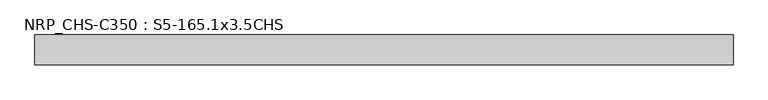
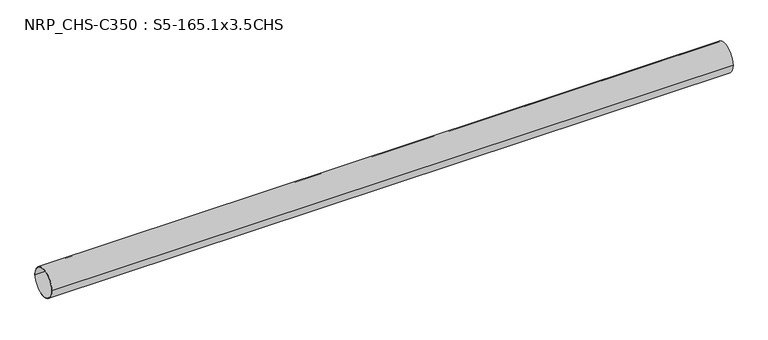
"""IFC4 building model written with IfcOpenShell, lengths in millimetres: beam geometry, NRP_CHS-C350 : S5-165.1x3.5CHS."""

import ifcopenshell
import ifcopenshell.guid

model = None  # the IFC model being written
_history = None  # IfcOwnerHistory: only IFC2X3 demands one
_inside = {}  # id of a spatial element -> (the spatial element, [elements in it])
_under = {}  # id of a project, library or spatial element -> (it, [spatial elements below it])
_declared = {}  # id of a project -> (the project, [libraries it declares])
_typed = {}  # id of a type object -> (the type object, [elements of that type])
_made_of = {}  # id of a material, layer set ... -> (it, [elements and type objects made of it])


def new_model(schema):
    """Start an empty IFC model of exactly this schema.

    Asked for "IFC4X3", IfcOpenShell would pick the latest addendum, in which some entities
    have other attributes; the version numbers below select the first issue.
    IFC2X3 requires an IfcOwnerHistory on every rooted entity: one is made here for all.
    """
    global model, _history
    if schema == "IFC4X3":
        model = ifcopenshell.file(schema_version=(4, 3, 0, 0))
    else:
        model = ifcopenshell.file(schema=schema)
    _inside.clear()
    _under.clear()
    _declared.clear()
    _typed.clear()
    _made_of.clear()
    _history = None
    if model.schema == "IFC2X3":
        org = make("IfcOrganization", Name="unknown")
        user = make(
            "IfcPersonAndOrganization",
            ThePerson=make("IfcPerson", FamilyName="unknown"),
            TheOrganization=org,
        )
        app = make(
            "IfcApplication",
            ApplicationDeveloper=org,
            Version="unknown",
            ApplicationFullName="unknown",
            ApplicationIdentifier="unknown",
        )
        _history = make(
            "IfcOwnerHistory",
            OwningUser=user,
            OwningApplication=app,
            ChangeAction="ADDED",
            CreationDate=0,
        )
    return model


def make(cls, **values):
    """One entity of the class cls with the attributes given. An attribute that is None is left unset."""
    return model.create_entity(
        cls, **{name: value for name, value in values.items() if value is not None}
    )


def rooted(cls, **values):
    """An entity with a GlobalId (a new one), such as an element, a storey or a relation."""
    return make(cls, GlobalId=ifcopenshell.guid.new(), OwnerHistory=_history, **values)


def si_unit(unit_type, name, prefix=None):
    """IfcSIUnit, for example si_unit("LENGTHUNIT", "METRE", prefix="MILLI")."""
    return make("IfcSIUnit", UnitType=unit_type, Prefix=prefix, Name=name)


def assignment(units):
    """IfcUnitAssignment: the units of a project."""
    return None if units is None else make("IfcUnitAssignment", Units=units)


def point(xyz):
    """IfcCartesianPoint."""
    return None if xyz is None else make("IfcCartesianPoint", Coordinates=xyz)


def direction(xyz):
    """IfcDirection."""
    return None if xyz is None else make("IfcDirection", DirectionRatios=xyz)


def frame(location, z_axis=None, x_axis=None):
    """IfcAxis2Placement3D, a coordinate frame: its origin and axes. An axis left out is left unset."""
    return make(
        "IfcAxis2Placement3D",
        Location=point(location),
        Axis=direction(z_axis),
        RefDirection=direction(x_axis),
    )


def frame_2d(location, x_axis=None):
    """IfcAxis2Placement2D, a coordinate frame in the plane: its origin and x axis."""
    return make(
        "IfcAxis2Placement2D", Location=point(location), RefDirection=direction(x_axis)
    )


def origin():
    """The frame at (0, 0, 0) with its axes left unset."""
    return frame((0.0, 0.0, 0.0))


def origin_2d():
    """The frame at (0, 0) in the plane with its x axis left unset."""
    return frame_2d((0.0, 0.0))


def place(relative_to, where):
    """IfcLocalPlacement: puts the frame where relative to a parent placement (None: the world)."""
    return make(
        "IfcLocalPlacement", PlacementRelTo=relative_to, RelativePlacement=where
    )


def context(
    kind, dimensions, precision=None, world=None, true_north=None, identifier=None
):
    """IfcGeometricRepresentationContext, for example the 3D "Model" context."""
    return make(
        "IfcGeometricRepresentationContext",
        ContextIdentifier=identifier,
        ContextType=kind,
        CoordinateSpaceDimension=dimensions,
        Precision=precision,
        WorldCoordinateSystem=world,
        TrueNorth=true_north,
    )


def project(units=None, contexts=None):
    """IfcProject with its units and contexts."""
    return rooted(
        "IfcProject",
        Name="project",
        RepresentationContexts=contexts,
        UnitsInContext=assignment(units),
    )


def spatial(cls, under=None, at=None, **own):
    """A site, building, storey or space (cls), placed at a placement, below another one or the project."""
    s = rooted(cls, ObjectPlacement=at, **own)
    if under is not None:
        _under.setdefault(under.id(), (under, []))[1].append(s)
    return s


def circle_curve(where, radius):
    """IfcCircle in the frame where."""
    return make("IfcCircle", Position=where, Radius=radius)


def trimmed(basis, trim1, trim2, sense, master):
    """IfcTrimmedCurve: the piece of a basis curve between two trims."""
    return make(
        "IfcTrimmedCurve",
        BasisCurve=basis,
        Trim1=trim1,
        Trim2=trim2,
        SenseAgreement=sense,
        MasterRepresentation=master,
    )


def segment(curve, same_sense, transition):
    """IfcCompositeCurveSegment."""
    return make(
        "IfcCompositeCurveSegment",
        Transition=transition,
        SameSense=same_sense,
        ParentCurve=curve,
    )


def composite_curve(segments, self_intersect=None):
    """IfcCompositeCurve: segments joined end to end."""
    return make("IfcCompositeCurve", Segments=segments, SelfIntersect=self_intersect)


def outline(outer, holes=None, kind="AREA"):
    """IfcArbitraryClosedProfileDef: a profile drawn as a closed curve; with holes, ...WithVoids."""
    if holes is None:
        return make("IfcArbitraryClosedProfileDef", ProfileType=kind, OuterCurve=outer)
    return make(
        "IfcArbitraryProfileDefWithVoids",
        ProfileType=kind,
        OuterCurve=outer,
        InnerCurves=holes,
    )


def extrude(swept, where, along, depth):
    """IfcExtrudedAreaSolid: the profile swept, set in the frame where, extruded along a direction by depth."""
    return make(
        "IfcExtrudedAreaSolid",
        SweptArea=swept,
        Position=where,
        ExtrudedDirection=direction(along),
        Depth=depth,
    )


def shape(context_of_items, identifier, shape_type, items):
    """IfcShapeRepresentation: the items that make up one representation, for example the "Body"."""
    return make(
        "IfcShapeRepresentation",
        ContextOfItems=context_of_items,
        RepresentationIdentifier=identifier,
        RepresentationType=shape_type,
        Items=items,
    )


def source(mapping_origin, context_of_items, identifier, shape_type, items):
    """IfcRepresentationMap: a shape defined once, which mapped items show again and again."""
    return make(
        "IfcRepresentationMap",
        MappingOrigin=mapping_origin,
        MappedRepresentation=shape(context_of_items, identifier, shape_type, items),
    )


def transform(
    local_origin,
    x_axis=None,
    y_axis=None,
    z_axis=None,
    scale=None,
    scale2=None,
    scale3=None,
    uniform=True,
):
    """IfcCartesianTransformationOperator3D, or its non-uniform kind. x_axis, y_axis, z_axis: its Axis1, 2, 3."""
    if uniform:
        return make(
            "IfcCartesianTransformationOperator3D",
            Axis1=direction(x_axis),
            Axis2=direction(y_axis),
            LocalOrigin=point(local_origin),
            Scale=scale,
            Axis3=direction(z_axis),
        )
    return make(
        "IfcCartesianTransformationOperator3DnonUniform",
        Axis1=direction(x_axis),
        Axis2=direction(y_axis),
        LocalOrigin=point(local_origin),
        Scale=scale,
        Axis3=direction(z_axis),
        Scale2=scale2,
        Scale3=scale3,
    )


def mapped(mapping_source, mapping_target):
    """IfcMappedItem: shows the shape of a source again, moved by a transform."""
    return make(
        "IfcMappedItem", MappingSource=mapping_source, MappingTarget=mapping_target
    )


def made_of(thing, what):
    """Note that an element or type object is made of a material, layer set ...; save() writes the relation."""
    if what is not None:
        _made_of.setdefault(what.id(), (what, []))[1].append(thing)
    return thing


def element(
    cls,
    number,
    at=None,
    inside=None,
    cuts=None,
    type_object=None,
    material=None,
    context=None,
    identifier="Body",
    shape_type=None,
    held_by="IfcProductDefinitionShape",
    body=None,
    shapes=None,
    **own,
):
    """One element of the class cls, such as IfcWall. Its Tag is "e" and its number.

    at: its placement. inside: the storey or other place that contains it. cuts: it is an
    opening in that element (IfcRelVoidsElement). A single representation is given by context,
    identifier, shape_type and body (its items); several are given by shapes. held_by: the class
    of the entity that holds the representations. save() writes the other relations.
    """
    e = rooted(cls, Tag="e%d" % number, ObjectPlacement=at, **own)
    if body is not None:
        shapes = [shape(context, identifier, shape_type, body)]
    if shapes is not None:
        e.Representation = make(held_by, Representations=shapes)
    if inside is not None:
        _inside.setdefault(inside.id(), (inside, []))[1].append(e)
    if cuts is not None:
        rooted(
            "IfcRelVoidsElement", RelatingBuildingElement=cuts, RelatedOpeningElement=e
        )
    if type_object is not None:
        _typed.setdefault(type_object.id(), (type_object, []))[1].append(e)
    return made_of(e, material)


def aggregate(whole, parts):
    """IfcRelAggregates: a whole, such as a stair, and the parts it consists of."""
    return rooted("IfcRelAggregates", RelatingObject=whole, RelatedObjects=parts)


def save(model, path):
    """Write the relations noted so far, then the file.

    IfcRelAggregates (storeys below a building ...), IfcRelContainedInSpatialStructure (elements
    in a storey), IfcRelDefinesByType, IfcRelAssociatesMaterial and IfcRelDeclares: one each for
    every whole, place, type object, material and project.
    """
    for whole, parts in _under.values():
        aggregate(whole, parts)
    for where, things in _inside.values():
        rooted(
            "IfcRelContainedInSpatialStructure",
            RelatedElements=things,
            RelatingStructure=where,
        )
    for kind, things in _typed.values():
        rooted("IfcRelDefinesByType", RelatedObjects=things, RelatingType=kind)
    for what, things in _made_of.values():
        rooted("IfcRelAssociatesMaterial", RelatedObjects=things, RelatingMaterial=what)
    for by, libraries in _declared.values():
        rooted("IfcRelDeclares", RelatingContext=by, RelatedDefinitions=libraries)
    model.write(path)


def nrp_chs_c350_s5_165_1x3_5chs_a3772317(model_context):
    return source(origin(), model_context, "Body", "SweptSolid", [
        extrude(outline(composite_curve([segment(trimmed(circle_curve(origin_2d(), 82.55), [point((82.55, 0.0))], [point((-82.55, 0.0))], False, "CARTESIAN"), True, "CONTINUOUS"), segment(trimmed(circle_curve(origin_2d(), 82.55), [point((-82.55, 0.0))], [point((82.55, 0.0))], False, "CARTESIAN"), True, "CONTINUOUS")], self_intersect=False), holes=[composite_curve([segment(trimmed(circle_curve(origin_2d(), 79.05), [point((-79.05, 0.0))], [point((79.05, 0.0))], True, "CARTESIAN"), True, "CONTINUOUS"), segment(trimmed(circle_curve(origin_2d(), 79.05), [point((79.05, 0.0))], [point((-79.05, 0.0))], True, "CARTESIAN"), True, "CONTINUOUS")], self_intersect=False)]), frame((-1760.0, 0.0, 0.0), z_axis=(1.0, 0.0, 0.0), x_axis=(0.0, 1.0, 0.0)), (0.0, 0.0, 1.0), 3863.9),
    ])


if __name__ == "__main__":
    model = new_model("IFC4")
    model_context = context("Model", 3, world=origin())
    ifc_project = project(units=[si_unit("LENGTHUNIT", "METRE", prefix="MILLI")], contexts=[model_context])
    site = spatial("IfcSite", under=ifc_project)
    building = spatial("IfcBuilding", under=site)
    placement = place(None, origin())
    nrp_chs_c350_s5_165_1x3_5chs_shape = nrp_chs_c350_s5_165_1x3_5chs_a3772317(model_context)
    element("IfcBeam", 1, ObjectType="NRP_CHS-C350 : S5-165.1x3.5CHS", at=placement, inside=building, context=model_context, shape_type="MappedRepresentation", body=[
        mapped(nrp_chs_c350_s5_165_1x3_5chs_shape, transform((0.0, 0.0, 0.0), x_axis=(1.0, 0.0, 0.0), y_axis=(0.0, 1.0, 0.0), z_axis=(0.0, 0.0, 1.0))),
    ])
    save(model, "model.ifc")
